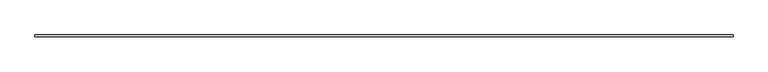
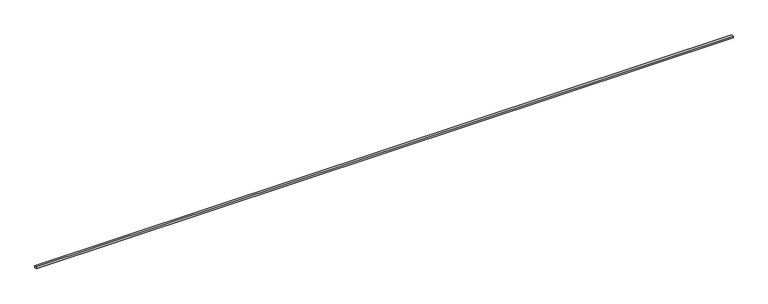
"""IFC4 building model written with IfcOpenShell, lengths in millimetres: railing geometry."""

import ifcopenshell
import ifcopenshell.guid

model = None  # the IFC model being written
_history = None  # IfcOwnerHistory: only IFC2X3 demands one
_inside = {}  # id of a spatial element -> (the spatial element, [elements in it])
_under = {}  # id of a project, library or spatial element -> (it, [spatial elements below it])
_declared = {}  # id of a project -> (the project, [libraries it declares])
_typed = {}  # id of a type object -> (the type object, [elements of that type])
_made_of = {}  # id of a material, layer set ... -> (it, [elements and type objects made of it])


def new_model(schema):
    """Start an empty IFC model of exactly this schema.

    Asked for "IFC4X3", IfcOpenShell would pick the latest addendum, in which some entities
    have other attributes; the version numbers below select the first issue.
    IFC2X3 requires an IfcOwnerHistory on every rooted entity: one is made here for all.
    """
    global model, _history
    if schema == "IFC4X3":
        model = ifcopenshell.file(schema_version=(4, 3, 0, 0))
    else:
        model = ifcopenshell.file(schema=schema)
    _inside.clear()
    _under.clear()
    _declared.clear()
    _typed.clear()
    _made_of.clear()
    _history = None
    if model.schema == "IFC2X3":
        org = make("IfcOrganization", Name="unknown")
        user = make(
            "IfcPersonAndOrganization",
            ThePerson=make("IfcPerson", FamilyName="unknown"),
            TheOrganization=org,
        )
        app = make(
            "IfcApplication",
            ApplicationDeveloper=org,
            Version="unknown",
            ApplicationFullName="unknown",
            ApplicationIdentifier="unknown",
        )
        _history = make(
            "IfcOwnerHistory",
            OwningUser=user,
            OwningApplication=app,
            ChangeAction="ADDED",
            CreationDate=0,
        )
    return model


def make(cls, **values):
    """One entity of the class cls with the attributes given. An attribute that is None is left unset."""
    return model.create_entity(
        cls, **{name: value for name, value in values.items() if value is not None}
    )


def rooted(cls, **values):
    """An entity with a GlobalId (a new one), such as an element, a storey or a relation."""
    return make(cls, GlobalId=ifcopenshell.guid.new(), OwnerHistory=_history, **values)


def si_unit(unit_type, name, prefix=None):
    """IfcSIUnit, for example si_unit("LENGTHUNIT", "METRE", prefix="MILLI")."""
    return make("IfcSIUnit", UnitType=unit_type, Prefix=prefix, Name=name)


def assignment(units):
    """IfcUnitAssignment: the units of a project."""
    return None if units is None else make("IfcUnitAssignment", Units=units)


def point(xyz):
    """IfcCartesianPoint."""
    return None if xyz is None else make("IfcCartesianPoint", Coordinates=xyz)


def direction(xyz):
    """IfcDirection."""
    return None if xyz is None else make("IfcDirection", DirectionRatios=xyz)


def frame(location, z_axis=None, x_axis=None):
    """IfcAxis2Placement3D, a coordinate frame: its origin and axes. An axis left out is left unset."""
    return make(
        "IfcAxis2Placement3D",
        Location=point(location),
        Axis=direction(z_axis),
        RefDirection=direction(x_axis),
    )


def origin():
    """The frame at (0, 0, 0) with its axes left unset."""
    return frame((0.0, 0.0, 0.0))


def place(relative_to, where):
    """IfcLocalPlacement: puts the frame where relative to a parent placement (None: the world)."""
    return make(
        "IfcLocalPlacement", PlacementRelTo=relative_to, RelativePlacement=where
    )


def context(
    kind, dimensions, precision=None, world=None, true_north=None, identifier=None
):
    """IfcGeometricRepresentationContext, for example the 3D "Model" context."""
    return make(
        "IfcGeometricRepresentationContext",
        ContextIdentifier=identifier,
        ContextType=kind,
        CoordinateSpaceDimension=dimensions,
        Precision=precision,
        WorldCoordinateSystem=world,
        TrueNorth=true_north,
    )


def project(units=None, contexts=None):
    """IfcProject with its units and contexts."""
    return rooted(
        "IfcProject",
        Name="project",
        RepresentationContexts=contexts,
        UnitsInContext=assignment(units),
    )


def spatial(cls, under=None, at=None, **own):
    """A site, building, storey or space (cls), placed at a placement, below another one or the project."""
    s = rooted(cls, ObjectPlacement=at, **own)
    if under is not None:
        _under.setdefault(under.id(), (under, []))[1].append(s)
    return s


def polyline(points):
    """IfcPolyline through the points."""
    return make("IfcPolyline", Points=[point(p) for p in points])


def outline(outer, holes=None, kind="AREA"):
    """IfcArbitraryClosedProfileDef: a profile drawn as a closed curve; with holes, ...WithVoids."""
    if holes is None:
        return make("IfcArbitraryClosedProfileDef", ProfileType=kind, OuterCurve=outer)
    return make(
        "IfcArbitraryProfileDefWithVoids",
        ProfileType=kind,
        OuterCurve=outer,
        InnerCurves=holes,
    )


def extrude(swept, where, along, depth):
    """IfcExtrudedAreaSolid: the profile swept, set in the frame where, extruded along a direction by depth."""
    return make(
        "IfcExtrudedAreaSolid",
        SweptArea=swept,
        Position=where,
        ExtrudedDirection=direction(along),
        Depth=depth,
    )


def shape(context_of_items, identifier, shape_type, items):
    """IfcShapeRepresentation: the items that make up one representation, for example the "Body"."""
    return make(
        "IfcShapeRepresentation",
        ContextOfItems=context_of_items,
        RepresentationIdentifier=identifier,
        RepresentationType=shape_type,
        Items=items,
    )


def source(mapping_origin, context_of_items, identifier, shape_type, items):
    """IfcRepresentationMap: a shape defined once, which mapped items show again and again."""
    return make(
        "IfcRepresentationMap",
        MappingOrigin=mapping_origin,
        MappedRepresentation=shape(context_of_items, identifier, shape_type, items),
    )


def transform(
    local_origin,
    x_axis=None,
    y_axis=None,
    z_axis=None,
    scale=None,
    scale2=None,
    scale3=None,
    uniform=True,
):
    """IfcCartesianTransformationOperator3D, or its non-uniform kind. x_axis, y_axis, z_axis: its Axis1, 2, 3."""
    if uniform:
        return make(
            "IfcCartesianTransformationOperator3D",
            Axis1=direction(x_axis),
            Axis2=direction(y_axis),
            LocalOrigin=point(local_origin),
            Scale=scale,
            Axis3=direction(z_axis),
        )
    return make(
        "IfcCartesianTransformationOperator3DnonUniform",
        Axis1=direction(x_axis),
        Axis2=direction(y_axis),
        LocalOrigin=point(local_origin),
        Scale=scale,
        Axis3=direction(z_axis),
        Scale2=scale2,
        Scale3=scale3,
    )


def mapped(mapping_source, mapping_target):
    """IfcMappedItem: shows the shape of a source again, moved by a transform."""
    return make(
        "IfcMappedItem", MappingSource=mapping_source, MappingTarget=mapping_target
    )


def made_of(thing, what):
    """Note that an element or type object is made of a material, layer set ...; save() writes the relation."""
    if what is not None:
        _made_of.setdefault(what.id(), (what, []))[1].append(thing)
    return thing


def element(
    cls,
    number,
    at=None,
    inside=None,
    cuts=None,
    type_object=None,
    material=None,
    context=None,
    identifier="Body",
    shape_type=None,
    held_by="IfcProductDefinitionShape",
    body=None,
    shapes=None,
    **own,
):
    """One element of the class cls, such as IfcWall. Its Tag is "e" and its number.

    at: its placement. inside: the storey or other place that contains it. cuts: it is an
    opening in that element (IfcRelVoidsElement). A single representation is given by context,
    identifier, shape_type and body (its items); several are given by shapes. held_by: the class
    of the entity that holds the representations. save() writes the other relations.
    """
    e = rooted(cls, Tag="e%d" % number, ObjectPlacement=at, **own)
    if body is not None:
        shapes = [shape(context, identifier, shape_type, body)]
    if shapes is not None:
        e.Representation = make(held_by, Representations=shapes)
    if inside is not None:
        _inside.setdefault(inside.id(), (inside, []))[1].append(e)
    if cuts is not None:
        rooted(
            "IfcRelVoidsElement", RelatingBuildingElement=cuts, RelatedOpeningElement=e
        )
    if type_object is not None:
        _typed.setdefault(type_object.id(), (type_object, []))[1].append(e)
    return made_of(e, material)


def aggregate(whole, parts):
    """IfcRelAggregates: a whole, such as a stair, and the parts it consists of."""
    return rooted("IfcRelAggregates", RelatingObject=whole, RelatedObjects=parts)


def save(model, path):
    """Write the relations noted so far, then the file.

    IfcRelAggregates (storeys below a building ...), IfcRelContainedInSpatialStructure (elements
    in a storey), IfcRelDefinesByType, IfcRelAssociatesMaterial and IfcRelDeclares: one each for
    every whole, place, type object, material and project.
    """
    for whole, parts in _under.values():
        aggregate(whole, parts)
    for where, things in _inside.values():
        rooted(
            "IfcRelContainedInSpatialStructure",
            RelatedElements=things,
            RelatingStructure=where,
        )
    for kind, things in _typed.values():
        rooted("IfcRelDefinesByType", RelatedObjects=things, RelatingType=kind)
    for what, things in _made_of.values():
        rooted("IfcRelAssociatesMaterial", RelatedObjects=things, RelatingMaterial=what)
    for by, libraries in _declared.values():
        rooted("IfcRelDeclares", RelatingContext=by, RelatedDefinitions=libraries)
    model.write(path)


def railing_5c8eaafe(model_context):
    return source(origin(), model_context, "Body", "SweptSolid", [
        extrude(outline(polyline([(25073.710694, 48324.5735869), (25073.710694, 48273.7735869), (6785.710694, 48273.7735869), (6785.710694, 48324.5735869), (25073.710694, 48324.5735869)])), frame((0.0, 0.0, 660.4), z_axis=(0.0, 0.0, 1.0), x_axis=(1.0, 0.0, 0.0)), (0.0, 0.0, 1.0), 50.8),
    ])


if __name__ == "__main__":
    model = new_model("IFC4")
    model_context = context("Model", 3, world=origin())
    ifc_project = project(units=[si_unit("LENGTHUNIT", "METRE", prefix="MILLI")], contexts=[model_context])
    site = spatial("IfcSite", under=ifc_project)
    building = spatial("IfcBuilding", under=site)
    placement = place(None, origin())
    railing_shape = railing_5c8eaafe(model_context)
    element("IfcRailing", 1, at=placement, inside=building, context=model_context, shape_type="MappedRepresentation", body=[
        mapped(railing_shape, transform((0.0, 0.0, 0.0), x_axis=(1.0, 0.0, 0.0), y_axis=(0.0, 1.0, 0.0), z_axis=(0.0, 0.0, 1.0))),
    ])
    save(model, "model.ifc")
